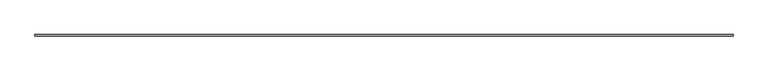
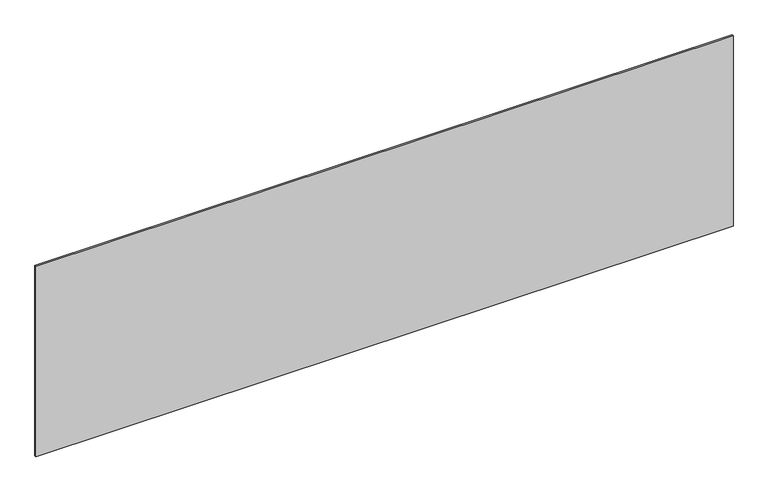
"""IFC4 building model written with IfcOpenShell, lengths in millimetres: plate geometry."""

import ifcopenshell
import ifcopenshell.guid

model = None  # the IFC model being written
_history = None  # IfcOwnerHistory: only IFC2X3 demands one
_inside = {}  # id of a spatial element -> (the spatial element, [elements in it])
_under = {}  # id of a project, library or spatial element -> (it, [spatial elements below it])
_declared = {}  # id of a project -> (the project, [libraries it declares])
_typed = {}  # id of a type object -> (the type object, [elements of that type])
_made_of = {}  # id of a material, layer set ... -> (it, [elements and type objects made of it])


def new_model(schema):
    """Start an empty IFC model of exactly this schema.

    Asked for "IFC4X3", IfcOpenShell would pick the latest addendum, in which some entities
    have other attributes; the version numbers below select the first issue.
    IFC2X3 requires an IfcOwnerHistory on every rooted entity: one is made here for all.
    """
    global model, _history
    if schema == "IFC4X3":
        model = ifcopenshell.file(schema_version=(4, 3, 0, 0))
    else:
        model = ifcopenshell.file(schema=schema)
    _inside.clear()
    _under.clear()
    _declared.clear()
    _typed.clear()
    _made_of.clear()
    _history = None
    if model.schema == "IFC2X3":
        org = make("IfcOrganization", Name="unknown")
        user = make(
            "IfcPersonAndOrganization",
            ThePerson=make("IfcPerson", FamilyName="unknown"),
            TheOrganization=org,
        )
        app = make(
            "IfcApplication",
            ApplicationDeveloper=org,
            Version="unknown",
            ApplicationFullName="unknown",
            ApplicationIdentifier="unknown",
        )
        _history = make(
            "IfcOwnerHistory",
            OwningUser=user,
            OwningApplication=app,
            ChangeAction="ADDED",
            CreationDate=0,
        )
    return model


def make(cls, **values):
    """One entity of the class cls with the attributes given. An attribute that is None is left unset."""
    return model.create_entity(
        cls, **{name: value for name, value in values.items() if value is not None}
    )


def rooted(cls, **values):
    """An entity with a GlobalId (a new one), such as an element, a storey or a relation."""
    return make(cls, GlobalId=ifcopenshell.guid.new(), OwnerHistory=_history, **values)


def si_unit(unit_type, name, prefix=None):
    """IfcSIUnit, for example si_unit("LENGTHUNIT", "METRE", prefix="MILLI")."""
    return make("IfcSIUnit", UnitType=unit_type, Prefix=prefix, Name=name)


def assignment(units):
    """IfcUnitAssignment: the units of a project."""
    return None if units is None else make("IfcUnitAssignment", Units=units)


def point(xyz):
    """IfcCartesianPoint."""
    return None if xyz is None else make("IfcCartesianPoint", Coordinates=xyz)


def direction(xyz):
    """IfcDirection."""
    return None if xyz is None else make("IfcDirection", DirectionRatios=xyz)


def frame(location, z_axis=None, x_axis=None):
    """IfcAxis2Placement3D, a coordinate frame: its origin and axes. An axis left out is left unset."""
    return make(
        "IfcAxis2Placement3D",
        Location=point(location),
        Axis=direction(z_axis),
        RefDirection=direction(x_axis),
    )


def origin():
    """The frame at (0, 0, 0) with its axes left unset."""
    return frame((0.0, 0.0, 0.0))


def origin_with_axes():
    """The frame at (0, 0, 0) with the z axis (0, 0, 1) and the x axis (1, 0, 0) written out."""
    return frame((0.0, 0.0, 0.0), z_axis=(0.0, 0.0, 1.0), x_axis=(1.0, 0.0, 0.0))


def place(relative_to, where):
    """IfcLocalPlacement: puts the frame where relative to a parent placement (None: the world)."""
    return make(
        "IfcLocalPlacement", PlacementRelTo=relative_to, RelativePlacement=where
    )


def context(
    kind, dimensions, precision=None, world=None, true_north=None, identifier=None
):
    """IfcGeometricRepresentationContext, for example the 3D "Model" context."""
    return make(
        "IfcGeometricRepresentationContext",
        ContextIdentifier=identifier,
        ContextType=kind,
        CoordinateSpaceDimension=dimensions,
        Precision=precision,
        WorldCoordinateSystem=world,
        TrueNorth=true_north,
    )


def project(units=None, contexts=None):
    """IfcProject with its units and contexts."""
    return rooted(
        "IfcProject",
        Name="project",
        RepresentationContexts=contexts,
        UnitsInContext=assignment(units),
    )


def spatial(cls, under=None, at=None, **own):
    """A site, building, storey or space (cls), placed at a placement, below another one or the project."""
    s = rooted(cls, ObjectPlacement=at, **own)
    if under is not None:
        _under.setdefault(under.id(), (under, []))[1].append(s)
    return s


def polyline(points):
    """IfcPolyline through the points."""
    return make("IfcPolyline", Points=[point(p) for p in points])


def outline(outer, holes=None, kind="AREA"):
    """IfcArbitraryClosedProfileDef: a profile drawn as a closed curve; with holes, ...WithVoids."""
    if holes is None:
        return make("IfcArbitraryClosedProfileDef", ProfileType=kind, OuterCurve=outer)
    return make(
        "IfcArbitraryProfileDefWithVoids",
        ProfileType=kind,
        OuterCurve=outer,
        InnerCurves=holes,
    )


def extrude(swept, where, along, depth):
    """IfcExtrudedAreaSolid: the profile swept, set in the frame where, extruded along a direction by depth."""
    return make(
        "IfcExtrudedAreaSolid",
        SweptArea=swept,
        Position=where,
        ExtrudedDirection=direction(along),
        Depth=depth,
    )


def shape(context_of_items, identifier, shape_type, items):
    """IfcShapeRepresentation: the items that make up one representation, for example the "Body"."""
    return make(
        "IfcShapeRepresentation",
        ContextOfItems=context_of_items,
        RepresentationIdentifier=identifier,
        RepresentationType=shape_type,
        Items=items,
    )


def source(mapping_origin, context_of_items, identifier, shape_type, items):
    """IfcRepresentationMap: a shape defined once, which mapped items show again and again."""
    return make(
        "IfcRepresentationMap",
        MappingOrigin=mapping_origin,
        MappedRepresentation=shape(context_of_items, identifier, shape_type, items),
    )


def transform(
    local_origin,
    x_axis=None,
    y_axis=None,
    z_axis=None,
    scale=None,
    scale2=None,
    scale3=None,
    uniform=True,
):
    """IfcCartesianTransformationOperator3D, or its non-uniform kind. x_axis, y_axis, z_axis: its Axis1, 2, 3."""
    if uniform:
        return make(
            "IfcCartesianTransformationOperator3D",
            Axis1=direction(x_axis),
            Axis2=direction(y_axis),
            LocalOrigin=point(local_origin),
            Scale=scale,
            Axis3=direction(z_axis),
        )
    return make(
        "IfcCartesianTransformationOperator3DnonUniform",
        Axis1=direction(x_axis),
        Axis2=direction(y_axis),
        LocalOrigin=point(local_origin),
        Scale=scale,
        Axis3=direction(z_axis),
        Scale2=scale2,
        Scale3=scale3,
    )


def mapped(mapping_source, mapping_target):
    """IfcMappedItem: shows the shape of a source again, moved by a transform."""
    return make(
        "IfcMappedItem", MappingSource=mapping_source, MappingTarget=mapping_target
    )


def made_of(thing, what):
    """Note that an element or type object is made of a material, layer set ...; save() writes the relation."""
    if what is not None:
        _made_of.setdefault(what.id(), (what, []))[1].append(thing)
    return thing


def element(
    cls,
    number,
    at=None,
    inside=None,
    cuts=None,
    type_object=None,
    material=None,
    context=None,
    identifier="Body",
    shape_type=None,
    held_by="IfcProductDefinitionShape",
    body=None,
    shapes=None,
    **own,
):
    """One element of the class cls, such as IfcWall. Its Tag is "e" and its number.

    at: its placement. inside: the storey or other place that contains it. cuts: it is an
    opening in that element (IfcRelVoidsElement). A single representation is given by context,
    identifier, shape_type and body (its items); several are given by shapes. held_by: the class
    of the entity that holds the representations. save() writes the other relations.
    """
    e = rooted(cls, Tag="e%d" % number, ObjectPlacement=at, **own)
    if body is not None:
        shapes = [shape(context, identifier, shape_type, body)]
    if shapes is not None:
        e.Representation = make(held_by, Representations=shapes)
    if inside is not None:
        _inside.setdefault(inside.id(), (inside, []))[1].append(e)
    if cuts is not None:
        rooted(
            "IfcRelVoidsElement", RelatingBuildingElement=cuts, RelatedOpeningElement=e
        )
    if type_object is not None:
        _typed.setdefault(type_object.id(), (type_object, []))[1].append(e)
    return made_of(e, material)


def aggregate(whole, parts):
    """IfcRelAggregates: a whole, such as a stair, and the parts it consists of."""
    return rooted("IfcRelAggregates", RelatingObject=whole, RelatedObjects=parts)


def save(model, path):
    """Write the relations noted so far, then the file.

    IfcRelAggregates (storeys below a building ...), IfcRelContainedInSpatialStructure (elements
    in a storey), IfcRelDefinesByType, IfcRelAssociatesMaterial and IfcRelDeclares: one each for
    every whole, place, type object, material and project.
    """
    for whole, parts in _under.values():
        aggregate(whole, parts)
    for where, things in _inside.values():
        rooted(
            "IfcRelContainedInSpatialStructure",
            RelatedElements=things,
            RelatingStructure=where,
        )
    for kind, things in _typed.values():
        rooted("IfcRelDefinesByType", RelatedObjects=things, RelatingType=kind)
    for what, things in _made_of.values():
        rooted("IfcRelAssociatesMaterial", RelatedObjects=things, RelatingMaterial=what)
    for by, libraries in _declared.values():
        rooted("IfcRelDeclares", RelatingContext=by, RelatedDefinitions=libraries)
    model.write(path)


def plate_3db5e68d(model_context):
    return source(origin(), model_context, "Body", "SweptSolid", [
        extrude(outline(polyline([(2281.6666667, -5.0), (-2281.6666667, -5.0), (-2281.6666667, 5.0), (2281.6666667, 5.0), (2281.6666667, -5.0)])), origin_with_axes(), (0.0, 0.0, 1.0), 1318.3749289),
    ])


if __name__ == "__main__":
    model = new_model("IFC4")
    model_context = context("Model", 3, world=origin())
    ifc_project = project(units=[si_unit("LENGTHUNIT", "METRE", prefix="MILLI")], contexts=[model_context])
    site = spatial("IfcSite", under=ifc_project)
    building = spatial("IfcBuilding", under=site)
    placement = place(None, origin())
    plate_shape = plate_3db5e68d(model_context)
    element("IfcPlate", 1, at=placement, inside=building, context=model_context, shape_type="MappedRepresentation", body=[
        mapped(plate_shape, transform((0.0, 0.0, 0.0), x_axis=(1.0, 0.0, 0.0), y_axis=(0.0, 1.0, 0.0), z_axis=(0.0, 0.0, 1.0))),
    ])
    save(model, "model.ifc")
